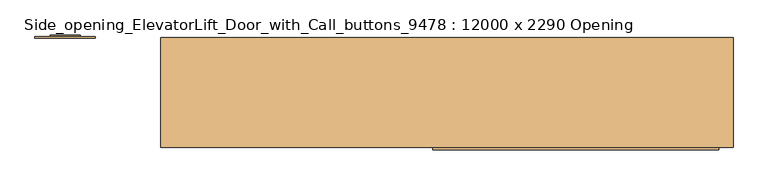
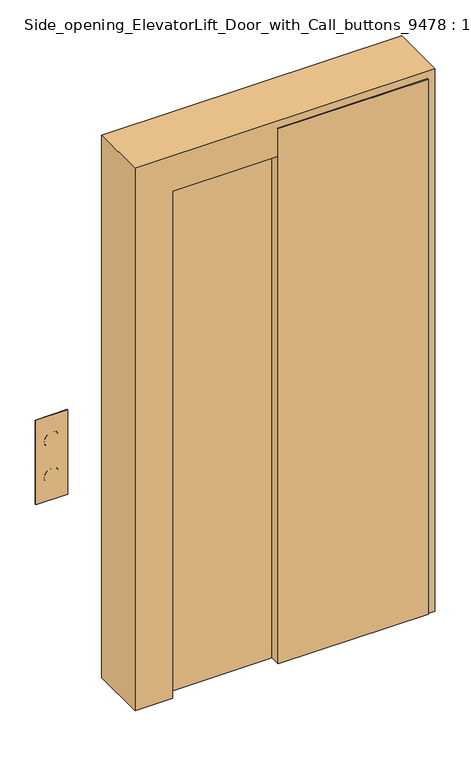
"""IFC4 building model written with IfcOpenShell, lengths in millimetres: door geometry, Side_opening_ElevatorLift_Door_with_Call_buttons_9478 : 12000 x 2290 Opening."""

import ifcopenshell
import ifcopenshell.guid

model = None  # the IFC model being written
_history = None  # IfcOwnerHistory: only IFC2X3 demands one
_inside = {}  # id of a spatial element -> (the spatial element, [elements in it])
_under = {}  # id of a project, library or spatial element -> (it, [spatial elements below it])
_declared = {}  # id of a project -> (the project, [libraries it declares])
_typed = {}  # id of a type object -> (the type object, [elements of that type])
_made_of = {}  # id of a material, layer set ... -> (it, [elements and type objects made of it])


def new_model(schema):
    """Start an empty IFC model of exactly this schema.

    Asked for "IFC4X3", IfcOpenShell would pick the latest addendum, in which some entities
    have other attributes; the version numbers below select the first issue.
    IFC2X3 requires an IfcOwnerHistory on every rooted entity: one is made here for all.
    """
    global model, _history
    if schema == "IFC4X3":
        model = ifcopenshell.file(schema_version=(4, 3, 0, 0))
    else:
        model = ifcopenshell.file(schema=schema)
    _inside.clear()
    _under.clear()
    _declared.clear()
    _typed.clear()
    _made_of.clear()
    _history = None
    if model.schema == "IFC2X3":
        org = make("IfcOrganization", Name="unknown")
        user = make(
            "IfcPersonAndOrganization",
            ThePerson=make("IfcPerson", FamilyName="unknown"),
            TheOrganization=org,
        )
        app = make(
            "IfcApplication",
            ApplicationDeveloper=org,
            Version="unknown",
            ApplicationFullName="unknown",
            ApplicationIdentifier="unknown",
        )
        _history = make(
            "IfcOwnerHistory",
            OwningUser=user,
            OwningApplication=app,
            ChangeAction="ADDED",
            CreationDate=0,
        )
    return model


def make(cls, **values):
    """One entity of the class cls with the attributes given. An attribute that is None is left unset."""
    return model.create_entity(
        cls, **{name: value for name, value in values.items() if value is not None}
    )


def rooted(cls, **values):
    """An entity with a GlobalId (a new one), such as an element, a storey or a relation."""
    return make(cls, GlobalId=ifcopenshell.guid.new(), OwnerHistory=_history, **values)


def si_unit(unit_type, name, prefix=None):
    """IfcSIUnit, for example si_unit("LENGTHUNIT", "METRE", prefix="MILLI")."""
    return make("IfcSIUnit", UnitType=unit_type, Prefix=prefix, Name=name)


def assignment(units):
    """IfcUnitAssignment: the units of a project."""
    return None if units is None else make("IfcUnitAssignment", Units=units)


def point(xyz):
    """IfcCartesianPoint."""
    return None if xyz is None else make("IfcCartesianPoint", Coordinates=xyz)


def direction(xyz):
    """IfcDirection."""
    return None if xyz is None else make("IfcDirection", DirectionRatios=xyz)


def frame(location, z_axis=None, x_axis=None):
    """IfcAxis2Placement3D, a coordinate frame: its origin and axes. An axis left out is left unset."""
    return make(
        "IfcAxis2Placement3D",
        Location=point(location),
        Axis=direction(z_axis),
        RefDirection=direction(x_axis),
    )


def frame_2d(location, x_axis=None):
    """IfcAxis2Placement2D, a coordinate frame in the plane: its origin and x axis."""
    return make(
        "IfcAxis2Placement2D", Location=point(location), RefDirection=direction(x_axis)
    )


def origin():
    """The frame at (0, 0, 0) with its axes left unset."""
    return frame((0.0, 0.0, 0.0))


def origin_with_axes():
    """The frame at (0, 0, 0) with the z axis (0, 0, 1) and the x axis (1, 0, 0) written out."""
    return frame((0.0, 0.0, 0.0), z_axis=(0.0, 0.0, 1.0), x_axis=(1.0, 0.0, 0.0))


def place(relative_to, where):
    """IfcLocalPlacement: puts the frame where relative to a parent placement (None: the world)."""
    return make(
        "IfcLocalPlacement", PlacementRelTo=relative_to, RelativePlacement=where
    )


def context(
    kind, dimensions, precision=None, world=None, true_north=None, identifier=None
):
    """IfcGeometricRepresentationContext, for example the 3D "Model" context."""
    return make(
        "IfcGeometricRepresentationContext",
        ContextIdentifier=identifier,
        ContextType=kind,
        CoordinateSpaceDimension=dimensions,
        Precision=precision,
        WorldCoordinateSystem=world,
        TrueNorth=true_north,
    )


def project(units=None, contexts=None):
    """IfcProject with its units and contexts."""
    return rooted(
        "IfcProject",
        Name="project",
        RepresentationContexts=contexts,
        UnitsInContext=assignment(units),
    )


def spatial(cls, under=None, at=None, **own):
    """A site, building, storey or space (cls), placed at a placement, below another one or the project."""
    s = rooted(cls, ObjectPlacement=at, **own)
    if under is not None:
        _under.setdefault(under.id(), (under, []))[1].append(s)
    return s


def polyline(points):
    """IfcPolyline through the points."""
    return make("IfcPolyline", Points=[point(p) for p in points])


def circle_curve(where, radius):
    """IfcCircle in the frame where."""
    return make("IfcCircle", Position=where, Radius=radius)


def trimmed(basis, trim1, trim2, sense, master):
    """IfcTrimmedCurve: the piece of a basis curve between two trims."""
    return make(
        "IfcTrimmedCurve",
        BasisCurve=basis,
        Trim1=trim1,
        Trim2=trim2,
        SenseAgreement=sense,
        MasterRepresentation=master,
    )


def segment(curve, same_sense, transition):
    """IfcCompositeCurveSegment."""
    return make(
        "IfcCompositeCurveSegment",
        Transition=transition,
        SameSense=same_sense,
        ParentCurve=curve,
    )


def composite_curve(segments, self_intersect=None):
    """IfcCompositeCurve: segments joined end to end."""
    return make("IfcCompositeCurve", Segments=segments, SelfIntersect=self_intersect)


def outline(outer, holes=None, kind="AREA"):
    """IfcArbitraryClosedProfileDef: a profile drawn as a closed curve; with holes, ...WithVoids."""
    if holes is None:
        return make("IfcArbitraryClosedProfileDef", ProfileType=kind, OuterCurve=outer)
    return make(
        "IfcArbitraryProfileDefWithVoids",
        ProfileType=kind,
        OuterCurve=outer,
        InnerCurves=holes,
    )


def extrude(swept, where, along, depth):
    """IfcExtrudedAreaSolid: the profile swept, set in the frame where, extruded along a direction by depth."""
    return make(
        "IfcExtrudedAreaSolid",
        SweptArea=swept,
        Position=where,
        ExtrudedDirection=direction(along),
        Depth=depth,
    )


def faces_of(points, faces, orient=None, outer=None):
    """IfcFace entities. A face is a list of loops; a loop is a list of indices into points, from 0.

    orient and outer hold one flag for each loop. By default every Orientation is true, the
    first loop of a face is its IfcFaceOuterBound and the others are IfcFaceBound.
    """
    made = []
    for i, loops in enumerate(faces):
        bounds = []
        for j, loop in enumerate(loops):
            is_outer = j == 0 if outer is None else outer[i][j]
            bounds.append(
                make(
                    "IfcFaceOuterBound" if is_outer else "IfcFaceBound",
                    Bound=make("IfcPolyLoop", Polygon=[points[k] for k in loop]),
                    Orientation=True if orient is None else orient[i][j],
                )
            )
        made.append(make("IfcFace", Bounds=bounds))
    return made


def faceted_brep(points, faces, orient=None, outer=None, voids=None):
    """IfcFacetedBrep: a solid bounded by flat faces; with voids (closed shells), ...WithVoids."""
    shared = [point(p) for p in points]
    hull = make("IfcClosedShell", CfsFaces=faces_of(shared, faces, orient, outer))
    if voids is None:
        return make("IfcFacetedBrep", Outer=hull)
    return make(
        "IfcFacetedBrepWithVoids",
        Outer=hull,
        Voids=[
            make(cls, CfsFaces=faces_of(shared, fs, o, b)) for cls, fs, o, b in voids
        ],
    )


def shape(context_of_items, identifier, shape_type, items):
    """IfcShapeRepresentation: the items that make up one representation, for example the "Body"."""
    return make(
        "IfcShapeRepresentation",
        ContextOfItems=context_of_items,
        RepresentationIdentifier=identifier,
        RepresentationType=shape_type,
        Items=items,
    )


def source(mapping_origin, context_of_items, identifier, shape_type, items):
    """IfcRepresentationMap: a shape defined once, which mapped items show again and again."""
    return make(
        "IfcRepresentationMap",
        MappingOrigin=mapping_origin,
        MappedRepresentation=shape(context_of_items, identifier, shape_type, items),
    )


def transform(
    local_origin,
    x_axis=None,
    y_axis=None,
    z_axis=None,
    scale=None,
    scale2=None,
    scale3=None,
    uniform=True,
):
    """IfcCartesianTransformationOperator3D, or its non-uniform kind. x_axis, y_axis, z_axis: its Axis1, 2, 3."""
    if uniform:
        return make(
            "IfcCartesianTransformationOperator3D",
            Axis1=direction(x_axis),
            Axis2=direction(y_axis),
            LocalOrigin=point(local_origin),
            Scale=scale,
            Axis3=direction(z_axis),
        )
    return make(
        "IfcCartesianTransformationOperator3DnonUniform",
        Axis1=direction(x_axis),
        Axis2=direction(y_axis),
        LocalOrigin=point(local_origin),
        Scale=scale,
        Axis3=direction(z_axis),
        Scale2=scale2,
        Scale3=scale3,
    )


def mapped(mapping_source, mapping_target):
    """IfcMappedItem: shows the shape of a source again, moved by a transform."""
    return make(
        "IfcMappedItem", MappingSource=mapping_source, MappingTarget=mapping_target
    )


def made_of(thing, what):
    """Note that an element or type object is made of a material, layer set ...; save() writes the relation."""
    if what is not None:
        _made_of.setdefault(what.id(), (what, []))[1].append(thing)
    return thing


def element(
    cls,
    number,
    at=None,
    inside=None,
    cuts=None,
    type_object=None,
    material=None,
    context=None,
    identifier="Body",
    shape_type=None,
    held_by="IfcProductDefinitionShape",
    body=None,
    shapes=None,
    **own,
):
    """One element of the class cls, such as IfcWall. Its Tag is "e" and its number.

    at: its placement. inside: the storey or other place that contains it. cuts: it is an
    opening in that element (IfcRelVoidsElement). A single representation is given by context,
    identifier, shape_type and body (its items); several are given by shapes. held_by: the class
    of the entity that holds the representations. save() writes the other relations.
    """
    e = rooted(cls, Tag="e%d" % number, ObjectPlacement=at, **own)
    if body is not None:
        shapes = [shape(context, identifier, shape_type, body)]
    if shapes is not None:
        e.Representation = make(held_by, Representations=shapes)
    if inside is not None:
        _inside.setdefault(inside.id(), (inside, []))[1].append(e)
    if cuts is not None:
        rooted(
            "IfcRelVoidsElement", RelatingBuildingElement=cuts, RelatedOpeningElement=e
        )
    if type_object is not None:
        _typed.setdefault(type_object.id(), (type_object, []))[1].append(e)
    return made_of(e, material)


def aggregate(whole, parts):
    """IfcRelAggregates: a whole, such as a stair, and the parts it consists of."""
    return rooted("IfcRelAggregates", RelatingObject=whole, RelatedObjects=parts)


def save(model, path):
    """Write the relations noted so far, then the file.

    IfcRelAggregates (storeys below a building ...), IfcRelContainedInSpatialStructure (elements
    in a storey), IfcRelDefinesByType, IfcRelAssociatesMaterial and IfcRelDeclares: one each for
    every whole, place, type object, material and project.
    """
    for whole, parts in _under.values():
        aggregate(whole, parts)
    for where, things in _inside.values():
        rooted(
            "IfcRelContainedInSpatialStructure",
            RelatedElements=things,
            RelatingStructure=where,
        )
    for kind, things in _typed.values():
        rooted("IfcRelDefinesByType", RelatedObjects=things, RelatingType=kind)
    for what, things in _made_of.values():
        rooted("IfcRelAssociatesMaterial", RelatedObjects=things, RelatingMaterial=what)
    for by, libraries in _declared.values():
        rooted("IfcRelDeclares", RelatingContext=by, RelatedDefinitions=libraries)
    model.write(path)


def plane_surface(at):
    """IfcPlane: the flat surface through the origin of the frame at, square to its z axis."""
    return make("IfcPlane", Position=at)


def cylinder_surface(at, radius):
    """IfcCylindricalSurface: all points at the distance radius from the z axis of the frame at."""
    return make("IfcCylindricalSurface", Position=at, Radius=radius)


def revolved_surface(curve, axis_point, axis_direction):
    """IfcSurfaceOfRevolution: the curve turned about the line through axis_point along axis_direction."""
    return make(
        "IfcSurfaceOfRevolution",
        SweptCurve=make("IfcArbitraryOpenProfileDef", ProfileType="CURVE", Curve=curve),
        AxisPosition=make("IfcAxis1Placement", Location=point(axis_point), Axis=direction(axis_direction)),
    )


def advanced_brep(points, edges, surfaces, faces):
    """IfcAdvancedBrep: a solid bounded by faces that lie on surfaces and meet in shared edges.

    An edge is (start, end): straight between two places in points (the first is 0);
    or (start, end, curve); or (start, end, curve, False) where it runs against its curve.
    A face is (place in surfaces, loops), or (place, loops, False) where it looks against
    its surface's normal. A loop lists edges by number (the first is 1), with a minus sign
    where the edge is run from its end to its start. The first loop is the outer one.
    """
    corners = [point(p) for p in points]
    vertices = [make("IfcVertexPoint", VertexGeometry=c) for c in corners]
    made = []
    for start, end, *more in edges:
        made.append(
            make(
                "IfcEdgeCurve",
                EdgeStart=vertices[start],
                EdgeEnd=vertices[end],
                EdgeGeometry=more[0] if more else make("IfcPolyline", Points=[corners[start], corners[end]]),
                SameSense=more[1] if len(more) > 1 else True,
            )
        )
    hull = []
    for where, loops, *sense in faces:
        bounds = []
        for j, loop in enumerate(loops):
            ring = [make("IfcOrientedEdge", EdgeElement=made[abs(k) - 1], Orientation=k > 0) for k in loop]
            bounds.append(
                make(
                    "IfcFaceOuterBound" if j == 0 else "IfcFaceBound",
                    Bound=make("IfcEdgeLoop", EdgeList=ring),
                    Orientation=True,
                )
            )
        hull.append(make("IfcAdvancedFace", Bounds=bounds, FaceSurface=surfaces[where], SameSense=sense[0] if sense else True))
    return make("IfcAdvancedBrep", Outer=make("IfcClosedShell", CfsFaces=hull))


def side_opening_elevatorlift_door_with_call_buttons_9478_12000_99b26a91(model_context):
    return source(origin(), model_context, "Body", "SolidModel", [
        advanced_brep(
        [(-831.75, 66.35, 1076.2), (-768.25, 66.35, 1076.2), (-830.1625, 66.35, 1076.2), (-769.8375, 66.35, 1076.2), (-736.5, 60.0, 1177.8), (-863.5, 60.0, 1177.8), (-863.5, 60.0, 822.2), (-736.5, 60.0, 822.2), (-768.25, 63.175, 1076.2), (-831.75, 63.175, 1076.2), (-769.8375, 63.175, 1076.2), (-830.1625, 63.175, 1076.2), (-736.5, 63.175, 1177.8), (-736.5, 63.175, 822.2), (-863.5, 63.175, 822.2), (-863.5, 63.175, 1177.8), (-768.25, 63.175, 923.8), (-831.75, 63.175, 923.8), (-769.8375, 63.175, 923.8), (-830.1625, 63.175, 923.8), (-831.75, 66.35, 923.8), (-768.25, 66.35, 923.8), (-830.1625, 66.35, 923.8), (-769.8375, 66.35, 923.8)],
        [
            (0, 1, circle_curve(frame((-800.0, 66.35, 1076.2), z_axis=(0.0, 1.0, 0.0), x_axis=(1.0, 0.0, 0.0)), 31.75)),
            (1, 0, circle_curve(frame((-800.0, 66.35, 1076.2), z_axis=(0.0, 1.0, 0.0), x_axis=(1.0, 0.0, 0.0)), 31.75)),
            (2, 3, circle_curve(frame((-800.0, 66.35, 1076.2), z_axis=(0.0, -1.0, 0.0), x_axis=(1.0, 0.0, 0.0)), 30.1625)),
            (3, 2, circle_curve(frame((-800.0, 66.35, 1076.2), z_axis=(0.0, -1.0, 0.0), x_axis=(1.0, 0.0, 0.0)), 30.1625)),
            (4, 5),
            (5, 6),
            (6, 7),
            (7, 4),
            (1, 8),
            (8, 9, circle_curve(frame((-800.0, 63.175, 1076.2), z_axis=(0.0, 1.0, 0.0), x_axis=(1.0, 0.0, 0.0)), 31.75)),
            (9, 0),
            (9, 8, circle_curve(frame((-800.0, 63.175, 1076.2), z_axis=(0.0, 1.0, 0.0), x_axis=(1.0, 0.0, 0.0)), 31.75)),
            (3, 10),
            (10, 11, circle_curve(frame((-800.0, 63.175, 1076.2), z_axis=(0.0, -1.0, 0.0), x_axis=(1.0, 0.0, 0.0)), 30.1625)),
            (11, 2),
            (11, 10, circle_curve(frame((-800.0, 63.175, 1076.2), z_axis=(0.0, -1.0, 0.0), x_axis=(1.0, 0.0, 0.0)), 30.1625)),
            (12, 13),
            (13, 14),
            (14, 15),
            (15, 12),
            (16, 17, circle_curve(frame((-800.0, 63.175, 923.8), z_axis=(0.0, -1.0, 0.0), x_axis=(1.0, 0.0, 0.0)), 31.75)),
            (17, 16, circle_curve(frame((-800.0, 63.175, 923.8), z_axis=(0.0, -1.0, 0.0), x_axis=(1.0, 0.0, 0.0)), 31.75)),
            (18, 19, circle_curve(frame((-800.0, 63.175, 923.8), z_axis=(0.0, 1.0, 0.0), x_axis=(1.0, 0.0, 0.0)), 30.1625)),
            (19, 18, circle_curve(frame((-800.0, 63.175, 923.8), z_axis=(0.0, 1.0, 0.0), x_axis=(1.0, 0.0, 0.0)), 30.1625)),
            (15, 5),
            (4, 12),
            (14, 6),
            (13, 7),
            (20, 21, circle_curve(frame((-800.0, 66.35, 923.8), z_axis=(0.0, 1.0, 0.0), x_axis=(1.0, 0.0, 0.0)), 31.75)),
            (21, 20, circle_curve(frame((-800.0, 66.35, 923.8), z_axis=(0.0, 1.0, 0.0), x_axis=(1.0, 0.0, 0.0)), 31.75)),
            (22, 23, circle_curve(frame((-800.0, 66.35, 923.8), z_axis=(0.0, -1.0, 0.0), x_axis=(1.0, 0.0, 0.0)), 30.1625)),
            (23, 22, circle_curve(frame((-800.0, 66.35, 923.8), z_axis=(0.0, -1.0, 0.0), x_axis=(1.0, 0.0, 0.0)), 30.1625)),
            (21, 16),
            (17, 20),
            (23, 18),
            (19, 22),
        ],
        [
            plane_surface(frame((-768.25, 66.35, 1076.2), z_axis=(0.0, 1.0, 0.0), x_axis=(0.0, 0.0, 1.0))),
            plane_surface(frame((-768.25, 60.0, 1076.2), z_axis=(0.0, -1.0, 0.0), x_axis=(0.0, 0.0, -1.0))),
            cylinder_surface(frame((-800.0, 60.0, 1076.2), z_axis=(0.0, 1.0, 0.0), x_axis=(1.0, 0.0, 0.0)), 31.75),
            revolved_surface(polyline([(-769.8375, 63.175, 1076.2), (-769.8375, 66.35, 1076.2)]), (-800.0, 60.0, 1076.2), (0.0, -1.0, 0.0)),
            plane_surface(frame((-863.5, 63.175, 1177.8), z_axis=(0.0, 1.0, 0.0), x_axis=(-1.0, 0.0, 0.0))),
            plane_surface(frame((-736.5, 63.175, 1177.8), z_axis=(0.0, 0.0, 1.0), x_axis=(0.0, -1.0, 0.0))),
            plane_surface(frame((-863.5, 63.175, 1177.8), z_axis=(-1.0, 0.0, 0.0), x_axis=(0.0, -1.0, 0.0))),
            plane_surface(frame((-863.5, 63.175, 822.2), z_axis=(0.0, 0.0, -1.0), x_axis=(0.0, -1.0, 0.0))),
            plane_surface(frame((-736.5, 63.175, 822.2), z_axis=(1.0, 0.0, 0.0), x_axis=(0.0, -1.0, 0.0))),
            plane_surface(frame((-768.25, 66.35, 923.8), z_axis=(0.0, 1.0, 0.0), x_axis=(0.0, 0.0, 1.0))),
            cylinder_surface(frame((-800.0, 60.0, 923.8), z_axis=(0.0, 1.0, 0.0), x_axis=(1.0, 0.0, 0.0)), 31.75),
            revolved_surface(polyline([(-769.8375, 63.175, 923.8), (-769.8375, 66.35, 923.8)]), (-800.0, 60.0, 923.8), (0.0, -1.0, 0.0)),
        ],
        [
            (0, [[1, 2], [3, 4]]),
            (1, [[5, 6, 7, 8]]),
            (2, [[9, 10, 11, -2]]),
            (2, [[-11, 12, -9, -1]]),
            (3, [[13, 14, 15, -4]]),
            (3, [[-15, 16, -13, -3]]),
            (4, [[-16, -14]]),
            (4, [[17, 18, 19, 20], [-12, -10], [21, 22]]),
            (4, [[23, 24]]),
            (5, [[25, -5, 26, -20]]),
            (6, [[27, -6, -25, -19]]),
            (7, [[28, -7, -27, -18]]),
            (8, [[-26, -8, -28, -17]]),
            (9, [[29, 30], [31, 32]]),
            (10, [[33, -22, 34, -30]]),
            (10, [[-34, -21, -33, -29]]),
            (11, [[35, -24, 36, -32]]),
            (11, [[-36, -23, -35, -31]]),
        ],
    ),
        extrude(outline(composite_curve([segment(trimmed(circle_curve(frame_2d((1076.2, -800.0)), 30.1625), [point((1076.2, -830.1625))], [point((1076.2, -769.8375))], False, "CARTESIAN"), True, "CONTINUOUS"), segment(trimmed(circle_curve(frame_2d((1076.2, -800.0)), 30.1625), [point((1076.2, -769.8375))], [point((1076.2, -830.1625))], False, "CARTESIAN"), True, "CONTINUOUS")], self_intersect=False)), frame((0.0, 60.0, 0.0), z_axis=(0.0, 1.0, 0.0), x_axis=(0.0, 0.0, 1.0)), (0.0, 0.0, 1.0), 4.7625),
        extrude(outline(composite_curve([segment(trimmed(circle_curve(frame_2d((923.8, -800.0)), 30.1625), [point((923.8, -830.1625))], [point((923.8, -769.8375))], False, "CARTESIAN"), True, "CONTINUOUS"), segment(trimmed(circle_curve(frame_2d((923.8, -800.0)), 30.1625), [point((923.8, -769.8375))], [point((923.8, -830.1625))], False, "CARTESIAN"), True, "CONTINUOUS")], self_intersect=False)), frame((0.0, 60.0, 0.0), z_axis=(0.0, 1.0, 0.0), x_axis=(0.0, 0.0, 1.0)), (0.0, 0.0, 1.0), 4.7625),
        faceted_brep([(-600.0, 60.0, 0.0), (-570.0, 60.0, 0.0), (-570.0, -125.0, 0.0), (-450.0, -125.0, 0.0), (-450.0, -170.0, 0.0), (-600.0, -170.0, 0.0), (-600.0, -170.0, 2290.0), (-600.0, 60.0, 2290.0), (-450.0, -170.0, 2140.0), (450.0, -170.0, 2140.0), (450.0, -170.0, 0.0), (600.0, -170.0, 0.0), (600.0, -170.0, 2290.0), (-450.0, -125.0, 2140.0), (-570.0, -125.0, 2260.0), (570.0, -125.0, 2260.0), (570.0, -125.0, 0.0), (450.0, -125.0, 0.0), (450.0, -125.0, 2140.0), (-570.0, 60.0, 2260.0), (600.0, 60.0, 2290.0), (600.0, 60.0, 0.0), (570.0, 60.0, 0.0), (570.0, 60.0, 2260.0)], [[[0, 1, 2, 3, 4, 5]], [[5, 6, 7, 0]], [[4, 8, 9, 10, 11, 12, 6, 5]], [[3, 13, 8, 4]], [[2, 14, 15, 16, 17, 18, 13, 3]], [[1, 19, 14, 2]], [[0, 7, 20, 21, 22, 23, 19, 1]], [[12, 11, 21, 20]], [[21, 11, 10, 17, 16, 22]], [[18, 17, 10, 9]], [[23, 22, 16, 15]], [[6, 12, 20, 7]], [[13, 18, 9, 8]], [[19, 23, 15, 14]]]),
        extrude(outline(polyline([(570.0, -175.0), (-30.0, -175.0), (-30.0, -132.5), (570.0, -132.5), (570.0, -175.0)])), origin_with_axes(), (0.0, 0.0, 1.0), 2260.0),
        extrude(outline(polyline([(0.0, -132.5), (-570.0, -132.5), (-570.0, -90.0), (0.0, -90.0), (0.0, -132.5)])), origin_with_axes(), (0.0, 0.0, 1.0), 2260.0),
    ])


if __name__ == "__main__":
    model = new_model("IFC4")
    model_context = context("Model", 3, world=origin())
    ifc_project = project(units=[si_unit("LENGTHUNIT", "METRE", prefix="MILLI")], contexts=[model_context])
    site = spatial("IfcSite", under=ifc_project)
    building = spatial("IfcBuilding", under=site)
    placement = place(None, origin())
    side_opening_elevatorlift_door_with_call_buttons_9478_12000_shape = side_opening_elevatorlift_door_with_call_buttons_9478_12000_99b26a91(model_context)
    element("IfcDoor", 1, ObjectType="Side_opening_ElevatorLift_Door_with_Call_buttons_9478 : 12000 x 2290 Opening", at=placement, inside=building, context=model_context, shape_type="MappedRepresentation", body=[
        mapped(side_opening_elevatorlift_door_with_call_buttons_9478_12000_shape, transform((0.0, 0.0, 0.0), x_axis=(1.0, 0.0, 0.0), y_axis=(0.0, 1.0, 0.0), z_axis=(0.0, 0.0, 1.0))),
    ])
    save(model, "model.ifc")
